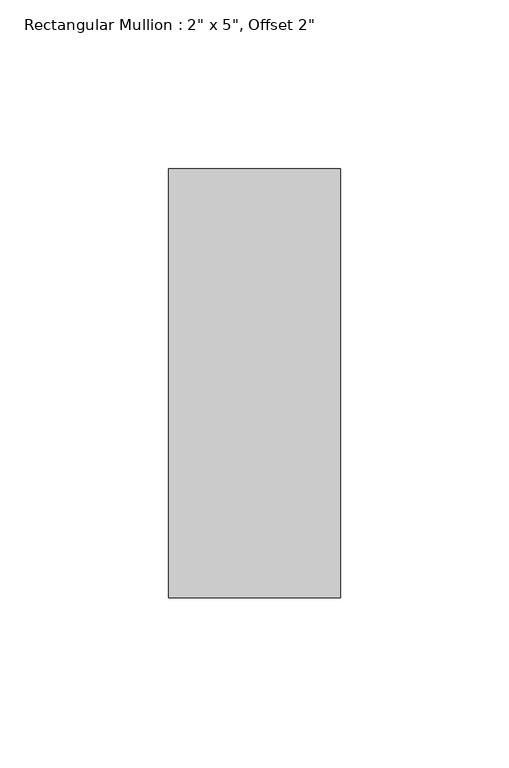
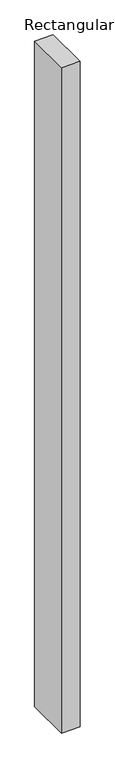
"""IFC4 building model written with IfcOpenShell, lengths in millimetres: member geometry."""

from ifc_helpers import new_model, si_unit, frame, origin, place, context, project, spatial, polyline, outline, extrude, source, transform, mapped, element, save


def member_9abc8c82(model_context):
    return source(origin(), model_context, "Body", "SweptSolid", [
        extrude(outline(polyline([(0.0, 12.7), (0.0, -114.3), (-50.8, -114.3), (-50.8, 12.7), (0.0, 12.7)])), frame((0.0, 0.0, -1931.5730667), z_axis=(0.0, 0.0, 1.0), x_axis=(1.0, 0.0, 0.0)), (0.0, 0.0, 1.0), 1931.5730667),
    ])


if __name__ == "__main__":
    model = new_model("IFC4")
    model_context = context("Model", 3, world=origin())
    ifc_project = project(units=[si_unit("LENGTHUNIT", "METRE", prefix="MILLI")], contexts=[model_context])
    site = spatial("IfcSite", under=ifc_project)
    building = spatial("IfcBuilding", under=site)
    placement = place(None, origin())
    member_shape = member_9abc8c82(model_context)
    element("IfcMember", 1, ObjectType="Rectangular Mullion : 2\" x 5\", Offset 2\"", at=placement, inside=building, context=model_context, shape_type="MappedRepresentation", body=[
        mapped(member_shape, transform((0.0, 0.0, 0.0), x_axis=(1.0, 0.0, 0.0), y_axis=(0.0, 1.0, 0.0), z_axis=(0.0, 0.0, 1.0))),
    ])
    save(model, "model.ifc")
